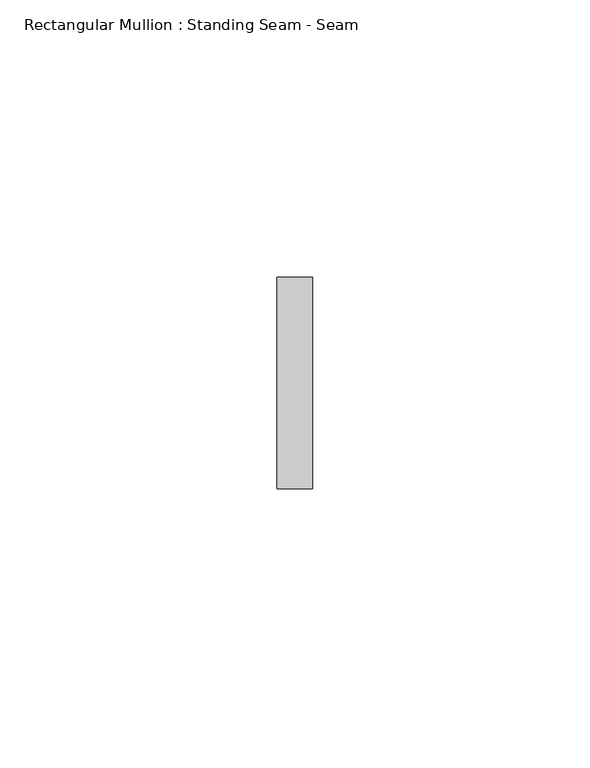
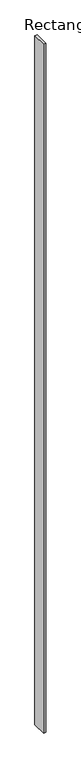
"""IFC4 building model written with IfcOpenShell, lengths in millimetres: member geometry, Rectangular Mullion : Standing Seam - Seam."""

from ifc_helpers import new_model, si_unit, frame, origin, place, context, project, spatial, polyline, outline, extrude, source, transform, mapped, element, save


def rectangular_mullion_standing_seam_seam_000b3a8b(model_context):
    return source(origin(), model_context, "Body", "SweptSolid", [
        extrude(outline(polyline([(3.175, 41.275), (3.175, 3.175), (-3.175, 3.175), (-3.175, 41.275), (3.175, 41.275)])), frame((0.0, 0.0, -1863.6638083), z_axis=(0.0, 0.0, 1.0), x_axis=(1.0, 0.0, 0.0)), (0.0, 0.0, 1.0), 1863.6638083),
    ])


if __name__ == "__main__":
    model = new_model("IFC4")
    model_context = context("Model", 3, world=origin())
    ifc_project = project(units=[si_unit("LENGTHUNIT", "METRE", prefix="MILLI")], contexts=[model_context])
    site = spatial("IfcSite", under=ifc_project)
    building = spatial("IfcBuilding", under=site)
    placement = place(None, origin())
    rectangular_mullion_standing_seam_seam_shape = rectangular_mullion_standing_seam_seam_000b3a8b(model_context)
    element("IfcMember", 1, ObjectType="Rectangular Mullion : Standing Seam - Seam", at=placement, inside=building, context=model_context, shape_type="MappedRepresentation", body=[
        mapped(rectangular_mullion_standing_seam_seam_shape, transform((0.0, 0.0, 0.0), x_axis=(1.0, 0.0, 0.0), y_axis=(0.0, 1.0, 0.0), z_axis=(0.0, 0.0, 1.0))),
    ])
    save(model, "model.ifc")
